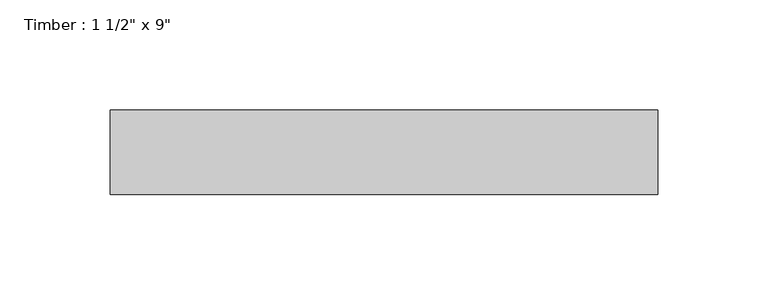
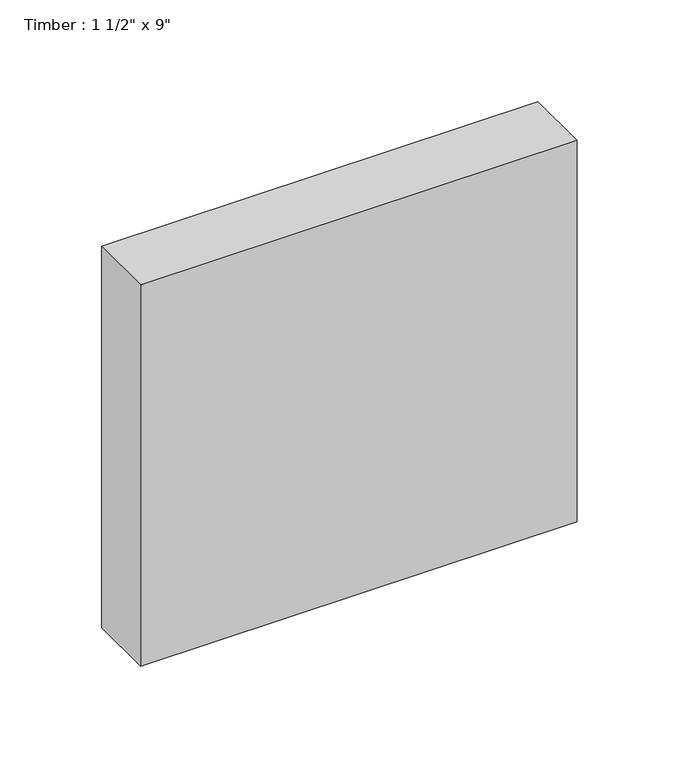
"""IFC4 building model written with IfcOpenShell, lengths in millimetres: beam geometry."""

import ifcopenshell
import ifcopenshell.guid

model = None  # the IFC model being written
_history = None  # IfcOwnerHistory: only IFC2X3 demands one
_inside = {}  # id of a spatial element -> (the spatial element, [elements in it])
_under = {}  # id of a project, library or spatial element -> (it, [spatial elements below it])
_declared = {}  # id of a project -> (the project, [libraries it declares])
_typed = {}  # id of a type object -> (the type object, [elements of that type])
_made_of = {}  # id of a material, layer set ... -> (it, [elements and type objects made of it])


def new_model(schema):
    """Start an empty IFC model of exactly this schema.

    Asked for "IFC4X3", IfcOpenShell would pick the latest addendum, in which some entities
    have other attributes; the version numbers below select the first issue.
    IFC2X3 requires an IfcOwnerHistory on every rooted entity: one is made here for all.
    """
    global model, _history
    if schema == "IFC4X3":
        model = ifcopenshell.file(schema_version=(4, 3, 0, 0))
    else:
        model = ifcopenshell.file(schema=schema)
    _inside.clear()
    _under.clear()
    _declared.clear()
    _typed.clear()
    _made_of.clear()
    _history = None
    if model.schema == "IFC2X3":
        org = make("IfcOrganization", Name="unknown")
        user = make(
            "IfcPersonAndOrganization",
            ThePerson=make("IfcPerson", FamilyName="unknown"),
            TheOrganization=org,
        )
        app = make(
            "IfcApplication",
            ApplicationDeveloper=org,
            Version="unknown",
            ApplicationFullName="unknown",
            ApplicationIdentifier="unknown",
        )
        _history = make(
            "IfcOwnerHistory",
            OwningUser=user,
            OwningApplication=app,
            ChangeAction="ADDED",
            CreationDate=0,
        )
    return model


def make(cls, **values):
    """One entity of the class cls with the attributes given. An attribute that is None is left unset."""
    return model.create_entity(
        cls, **{name: value for name, value in values.items() if value is not None}
    )


def rooted(cls, **values):
    """An entity with a GlobalId (a new one), such as an element, a storey or a relation."""
    return make(cls, GlobalId=ifcopenshell.guid.new(), OwnerHistory=_history, **values)


def si_unit(unit_type, name, prefix=None):
    """IfcSIUnit, for example si_unit("LENGTHUNIT", "METRE", prefix="MILLI")."""
    return make("IfcSIUnit", UnitType=unit_type, Prefix=prefix, Name=name)


def assignment(units):
    """IfcUnitAssignment: the units of a project."""
    return None if units is None else make("IfcUnitAssignment", Units=units)


def point(xyz):
    """IfcCartesianPoint."""
    return None if xyz is None else make("IfcCartesianPoint", Coordinates=xyz)


def direction(xyz):
    """IfcDirection."""
    return None if xyz is None else make("IfcDirection", DirectionRatios=xyz)


def frame(location, z_axis=None, x_axis=None):
    """IfcAxis2Placement3D, a coordinate frame: its origin and axes. An axis left out is left unset."""
    return make(
        "IfcAxis2Placement3D",
        Location=point(location),
        Axis=direction(z_axis),
        RefDirection=direction(x_axis),
    )


def origin():
    """The frame at (0, 0, 0) with its axes left unset."""
    return frame((0.0, 0.0, 0.0))


def place(relative_to, where):
    """IfcLocalPlacement: puts the frame where relative to a parent placement (None: the world)."""
    return make(
        "IfcLocalPlacement", PlacementRelTo=relative_to, RelativePlacement=where
    )


def context(
    kind, dimensions, precision=None, world=None, true_north=None, identifier=None
):
    """IfcGeometricRepresentationContext, for example the 3D "Model" context."""
    return make(
        "IfcGeometricRepresentationContext",
        ContextIdentifier=identifier,
        ContextType=kind,
        CoordinateSpaceDimension=dimensions,
        Precision=precision,
        WorldCoordinateSystem=world,
        TrueNorth=true_north,
    )


def project(units=None, contexts=None):
    """IfcProject with its units and contexts."""
    return rooted(
        "IfcProject",
        Name="project",
        RepresentationContexts=contexts,
        UnitsInContext=assignment(units),
    )


def spatial(cls, under=None, at=None, **own):
    """A site, building, storey or space (cls), placed at a placement, below another one or the project."""
    s = rooted(cls, ObjectPlacement=at, **own)
    if under is not None:
        _under.setdefault(under.id(), (under, []))[1].append(s)
    return s


def polyline(points):
    """IfcPolyline through the points."""
    return make("IfcPolyline", Points=[point(p) for p in points])


def outline(outer, holes=None, kind="AREA"):
    """IfcArbitraryClosedProfileDef: a profile drawn as a closed curve; with holes, ...WithVoids."""
    if holes is None:
        return make("IfcArbitraryClosedProfileDef", ProfileType=kind, OuterCurve=outer)
    return make(
        "IfcArbitraryProfileDefWithVoids",
        ProfileType=kind,
        OuterCurve=outer,
        InnerCurves=holes,
    )


def extrude(swept, where, along, depth):
    """IfcExtrudedAreaSolid: the profile swept, set in the frame where, extruded along a direction by depth."""
    return make(
        "IfcExtrudedAreaSolid",
        SweptArea=swept,
        Position=where,
        ExtrudedDirection=direction(along),
        Depth=depth,
    )


def shape(context_of_items, identifier, shape_type, items):
    """IfcShapeRepresentation: the items that make up one representation, for example the "Body"."""
    return make(
        "IfcShapeRepresentation",
        ContextOfItems=context_of_items,
        RepresentationIdentifier=identifier,
        RepresentationType=shape_type,
        Items=items,
    )


def source(mapping_origin, context_of_items, identifier, shape_type, items):
    """IfcRepresentationMap: a shape defined once, which mapped items show again and again."""
    return make(
        "IfcRepresentationMap",
        MappingOrigin=mapping_origin,
        MappedRepresentation=shape(context_of_items, identifier, shape_type, items),
    )


def transform(
    local_origin,
    x_axis=None,
    y_axis=None,
    z_axis=None,
    scale=None,
    scale2=None,
    scale3=None,
    uniform=True,
):
    """IfcCartesianTransformationOperator3D, or its non-uniform kind. x_axis, y_axis, z_axis: its Axis1, 2, 3."""
    if uniform:
        return make(
            "IfcCartesianTransformationOperator3D",
            Axis1=direction(x_axis),
            Axis2=direction(y_axis),
            LocalOrigin=point(local_origin),
            Scale=scale,
            Axis3=direction(z_axis),
        )
    return make(
        "IfcCartesianTransformationOperator3DnonUniform",
        Axis1=direction(x_axis),
        Axis2=direction(y_axis),
        LocalOrigin=point(local_origin),
        Scale=scale,
        Axis3=direction(z_axis),
        Scale2=scale2,
        Scale3=scale3,
    )


def mapped(mapping_source, mapping_target):
    """IfcMappedItem: shows the shape of a source again, moved by a transform."""
    return make(
        "IfcMappedItem", MappingSource=mapping_source, MappingTarget=mapping_target
    )


def made_of(thing, what):
    """Note that an element or type object is made of a material, layer set ...; save() writes the relation."""
    if what is not None:
        _made_of.setdefault(what.id(), (what, []))[1].append(thing)
    return thing


def element(
    cls,
    number,
    at=None,
    inside=None,
    cuts=None,
    type_object=None,
    material=None,
    context=None,
    identifier="Body",
    shape_type=None,
    held_by="IfcProductDefinitionShape",
    body=None,
    shapes=None,
    **own,
):
    """One element of the class cls, such as IfcWall. Its Tag is "e" and its number.

    at: its placement. inside: the storey or other place that contains it. cuts: it is an
    opening in that element (IfcRelVoidsElement). A single representation is given by context,
    identifier, shape_type and body (its items); several are given by shapes. held_by: the class
    of the entity that holds the representations. save() writes the other relations.
    """
    e = rooted(cls, Tag="e%d" % number, ObjectPlacement=at, **own)
    if body is not None:
        shapes = [shape(context, identifier, shape_type, body)]
    if shapes is not None:
        e.Representation = make(held_by, Representations=shapes)
    if inside is not None:
        _inside.setdefault(inside.id(), (inside, []))[1].append(e)
    if cuts is not None:
        rooted(
            "IfcRelVoidsElement", RelatingBuildingElement=cuts, RelatedOpeningElement=e
        )
    if type_object is not None:
        _typed.setdefault(type_object.id(), (type_object, []))[1].append(e)
    return made_of(e, material)


def aggregate(whole, parts):
    """IfcRelAggregates: a whole, such as a stair, and the parts it consists of."""
    return rooted("IfcRelAggregates", RelatingObject=whole, RelatedObjects=parts)


def save(model, path):
    """Write the relations noted so far, then the file.

    IfcRelAggregates (storeys below a building ...), IfcRelContainedInSpatialStructure (elements
    in a storey), IfcRelDefinesByType, IfcRelAssociatesMaterial and IfcRelDeclares: one each for
    every whole, place, type object, material and project.
    """
    for whole, parts in _under.values():
        aggregate(whole, parts)
    for where, things in _inside.values():
        rooted(
            "IfcRelContainedInSpatialStructure",
            RelatedElements=things,
            RelatingStructure=where,
        )
    for kind, things in _typed.values():
        rooted("IfcRelDefinesByType", RelatedObjects=things, RelatingType=kind)
    for what, things in _made_of.values():
        rooted("IfcRelAssociatesMaterial", RelatedObjects=things, RelatingMaterial=what)
    for by, libraries in _declared.values():
        rooted("IfcRelDeclares", RelatingContext=by, RelatedDefinitions=libraries)
    model.write(path)


def beam_698ca487(model_context):
    return source(origin(), model_context, "Body", "SweptSolid", [
        extrude(outline(polyline([(123.825, 19.05), (123.825, -19.05), (-123.825, -19.05), (-123.825, 19.05), (123.825, 19.05)])), frame((0.0, 0.0, -114.3), z_axis=(0.0, 0.0, 1.0), x_axis=(1.0, 0.0, 0.0)), (0.0, 0.0, 1.0), 228.6),
    ])


if __name__ == "__main__":
    model = new_model("IFC4")
    model_context = context("Model", 3, world=origin())
    ifc_project = project(units=[si_unit("LENGTHUNIT", "METRE", prefix="MILLI")], contexts=[model_context])
    site = spatial("IfcSite", under=ifc_project)
    building = spatial("IfcBuilding", under=site)
    placement = place(None, origin())
    beam_shape = beam_698ca487(model_context)
    element("IfcBeam", 1, ObjectType="Timber : 1 1/2\" x 9\"", at=placement, inside=building, context=model_context, shape_type="MappedRepresentation", body=[
        mapped(beam_shape, transform((0.0, 0.0, 0.0), x_axis=(1.0, 0.0, 0.0), y_axis=(0.0, 1.0, 0.0), z_axis=(0.0, 0.0, 1.0))),
    ])
    save(model, "model.ifc")
